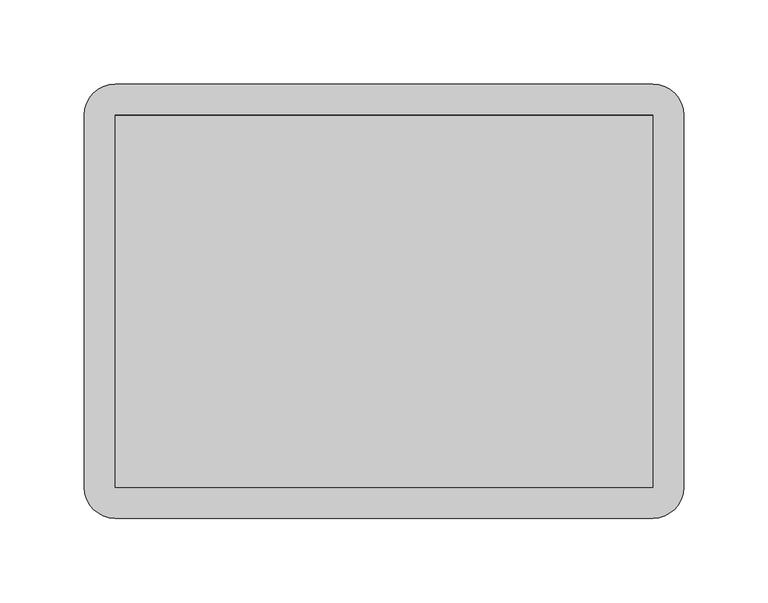
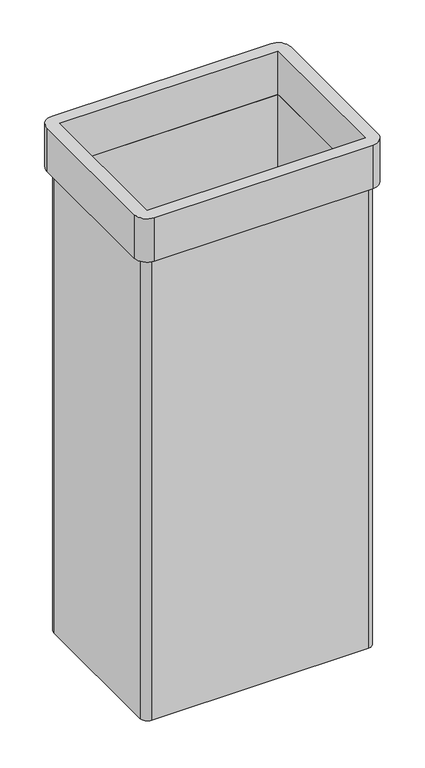
"""IFC4 building model written with IfcOpenShell, lengths in millimetres: furniture geometry."""

from ifc_helpers import new_model, si_unit, point, frame, frame_2d, origin, place, context, project, spatial, polyline, circle_curve, trimmed, segment, composite_curve, outline, extrude, source, transform, mapped, element, save
from ifc_brep_helpers import plane_surface, cylinder_surface, advanced_brep


def furniture_a7201d2f(model_context):
    return source(origin(), model_context, "Body", "SolidModel", [
        advanced_brep(
        [(158.25, 119.75, 714.0), (-158.25, 119.75, 714.0), (-168.75, 109.25, 714.0), (-168.75, -109.25, 714.0), (-158.25, -119.75, 714.0), (158.25, -119.75, 714.0), (168.75, -109.25, 714.0), (168.75, 109.25, 714.0), (159.5, 110.5, 714.0), (159.5, -110.5, 714.0), (-159.5, -110.5, 714.0), (-159.5, 110.5, 714.0), (158.25, 119.75, 0.0), (168.75, 109.25, 0.0), (168.75, -109.25, 0.0), (158.25, -119.75, 0.0), (-158.25, -119.75, 0.0), (-168.75, -109.25, 0.0), (-168.75, 109.25, 0.0), (-158.25, 119.75, 0.0), (159.5, 110.5, 8.0), (159.5, -110.5, 8.0), (-159.5, -110.5, 8.0), (-159.5, 110.5, 8.0)],
        [
            (0, 1),
            (1, 2, circle_curve(frame((-158.25, 109.25, 714.0), z_axis=(0.0, 0.0, 1.0), x_axis=(1.0, 0.0, 0.0)), 10.5)),
            (2, 3),
            (3, 4, circle_curve(frame((-158.25, -109.25, 714.0), z_axis=(0.0, 0.0, 1.0), x_axis=(1.0, 0.0, 0.0)), 10.5)),
            (4, 5),
            (5, 6, circle_curve(frame((158.25, -109.25, 714.0), z_axis=(0.0, 0.0, 1.0), x_axis=(1.0, 0.0, 0.0)), 10.5)),
            (6, 7),
            (7, 0, circle_curve(frame((158.25, 109.25, 714.0), z_axis=(0.0, 0.0, 1.0), x_axis=(1.0, 0.0, 0.0)), 10.5)),
            (8, 9),
            (9, 10),
            (10, 11),
            (11, 8),
            (12, 13, circle_curve(frame((158.25, 109.25, 0.0), z_axis=(0.0, 0.0, -1.0), x_axis=(1.0, 0.0, 0.0)), 10.5)),
            (13, 14),
            (14, 15, circle_curve(frame((158.25, -109.25, 0.0), z_axis=(0.0, 0.0, -1.0), x_axis=(1.0, 0.0, 0.0)), 10.5)),
            (15, 16),
            (16, 17, circle_curve(frame((-158.25, -109.25, 0.0), z_axis=(0.0, 0.0, -1.0), x_axis=(1.0, 0.0, 0.0)), 10.5)),
            (17, 18),
            (18, 19, circle_curve(frame((-158.25, 109.25, 0.0), z_axis=(0.0, 0.0, -1.0), x_axis=(1.0, 0.0, 0.0)), 10.5)),
            (19, 12),
            (8, 20),
            (20, 21),
            (21, 9),
            (21, 22),
            (22, 10),
            (22, 23),
            (23, 11),
            (23, 20),
            (0, 12),
            (19, 1),
            (18, 2),
            (17, 3),
            (16, 4),
            (15, 5),
            (14, 6),
            (13, 7),
        ],
        [
            plane_surface(frame((159.5, 110.5, 714.0), z_axis=(0.0, 0.0, 1.0), x_axis=(0.0, -1.0, 0.0))),
            plane_surface(frame((159.5, 110.5, 0.0), z_axis=(0.0, 0.0, -1.0), x_axis=(0.0, 1.0, 0.0))),
            plane_surface(frame((159.5, 110.5, 714.0), z_axis=(-1.0, 0.0, 0.0), x_axis=(0.0, 0.0, -1.0))),
            plane_surface(frame((159.5, -110.5, 714.0), z_axis=(0.0, 1.0, 0.0), x_axis=(0.0, 0.0, -1.0))),
            plane_surface(frame((-159.5, -110.5, 714.0), z_axis=(1.0, 0.0, 0.0), x_axis=(0.0, 0.0, -1.0))),
            plane_surface(frame((-159.5, 110.5, 714.0), z_axis=(0.0, -1.0, 0.0), x_axis=(0.0, 0.0, -1.0))),
            plane_surface(frame((158.25, 119.75, 714.0), z_axis=(0.0, 1.0, 0.0), x_axis=(0.0, 0.0, -1.0))),
            cylinder_surface(frame((-158.25, 109.25, 0.0), z_axis=(0.0, 0.0, 1.0), x_axis=(1.0, 0.0, 0.0)), 10.5),
            plane_surface(frame((-168.75, 109.25, 714.0), z_axis=(-1.0, 0.0, 0.0), x_axis=(0.0, 0.0, -1.0))),
            cylinder_surface(frame((-158.25, -109.25, 0.0), z_axis=(0.0, 0.0, 1.0), x_axis=(1.0, 0.0, 0.0)), 10.5),
            plane_surface(frame((-158.25, -119.75, 714.0), z_axis=(0.0, -1.0, 0.0), x_axis=(0.0, 0.0, -1.0))),
            cylinder_surface(frame((158.25, -109.25, 0.0), z_axis=(0.0, 0.0, 1.0), x_axis=(1.0, 0.0, 0.0)), 10.5),
            plane_surface(frame((168.75, -109.25, 714.0), z_axis=(1.0, 0.0, 0.0), x_axis=(0.0, 0.0, -1.0))),
            cylinder_surface(frame((158.25, 109.25, 0.0), z_axis=(0.0, 0.0, 1.0), x_axis=(1.0, 0.0, 0.0)), 10.5),
            plane_surface(frame((-159.5, 110.5, 8.0), z_axis=(0.0, 0.0, 1.0), x_axis=(-1.0, 0.0, 0.0))),
        ],
        [
            (0, [[1, 2, 3, 4, 5, 6, 7, 8], [9, 10, 11, 12]]),
            (1, [[13, 14, 15, 16, 17, 18, 19, 20]]),
            (2, [[-9, 21, 22, 23]]),
            (3, [[-10, -23, 24, 25]]),
            (4, [[-11, -25, 26, 27]]),
            (5, [[-12, -27, 28, -21]]),
            (6, [[-1, 29, -20, 30]]),
            (7, [[-2, -30, -19, 31]]),
            (8, [[-3, -31, -18, 32]]),
            (9, [[-4, -32, -17, 33]]),
            (10, [[-5, -33, -16, 34]]),
            (11, [[-6, -34, -15, 35]]),
            (12, [[-7, -35, -14, 36]]),
            (13, [[-8, -36, -13, -29]]),
            (14, [[-22, -28, -26, -24]]),
        ],
    ),
        extrude(outline(composite_curve([segment(trimmed(circle_curve(frame_2d((159.5, 110.5)), 18.5), [point((159.5, 129.0))], [point((178.0, 110.5))], False, "CARTESIAN"), True, "CONTINUOUS"), segment(polyline([(178.0, 110.5), (178.0, -110.5)]), True, "CONTINUOUS"), segment(trimmed(circle_curve(frame_2d((159.5, -110.5)), 18.5), [point((178.0, -110.5))], [point((159.5, -129.0))], False, "CARTESIAN"), True, "CONTINUOUS"), segment(polyline([(159.5, -129.0), (-159.5, -129.0)]), True, "CONTINUOUS"), segment(trimmed(circle_curve(frame_2d((-159.5, -110.5)), 18.5), [point((-159.5, -129.0))], [point((-178.0, -110.5))], False, "CARTESIAN"), True, "CONTINUOUS"), segment(polyline([(-178.0, -110.5), (-178.0, 110.5)]), True, "CONTINUOUS"), segment(trimmed(circle_curve(frame_2d((-159.5, 110.5)), 18.5), [point((-178.0, 110.5))], [point((-159.5, 129.0))], False, "CARTESIAN"), True, "CONTINUOUS"), segment(polyline([(-159.5, 129.0), (159.5, 129.0)]), True, "CONTINUOUS")], self_intersect=False), holes=[polyline([(159.5, 110.5), (-159.5, 110.5), (-159.5, -110.5), (159.5, -110.5), (159.5, 110.5)])]), frame((0.0, 0.0, 714.0), z_axis=(0.0, 0.0, 1.0), x_axis=(1.0, 0.0, 0.0)), (0.0, 0.0, 1.0), 67.0),
    ])


if __name__ == "__main__":
    model = new_model("IFC4")
    model_context = context("Model", 3, world=origin())
    ifc_project = project(units=[si_unit("LENGTHUNIT", "METRE", prefix="MILLI")], contexts=[model_context])
    site = spatial("IfcSite", under=ifc_project)
    building = spatial("IfcBuilding", under=site)
    placement = place(None, origin())
    furniture_shape = furniture_a7201d2f(model_context)
    element("IfcFurniture", 1, at=placement, inside=building, context=model_context, shape_type="MappedRepresentation", body=[
        mapped(furniture_shape, transform((0.0, 0.0, 0.0), x_axis=(1.0, 0.0, 0.0), y_axis=(0.0, 1.0, 0.0), z_axis=(0.0, 0.0, 1.0))),
    ])
    save(model, "model.ifc")
